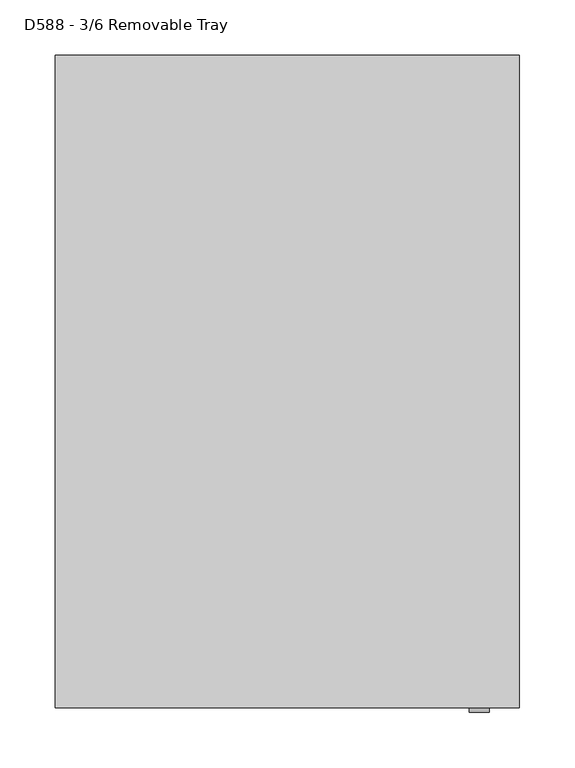
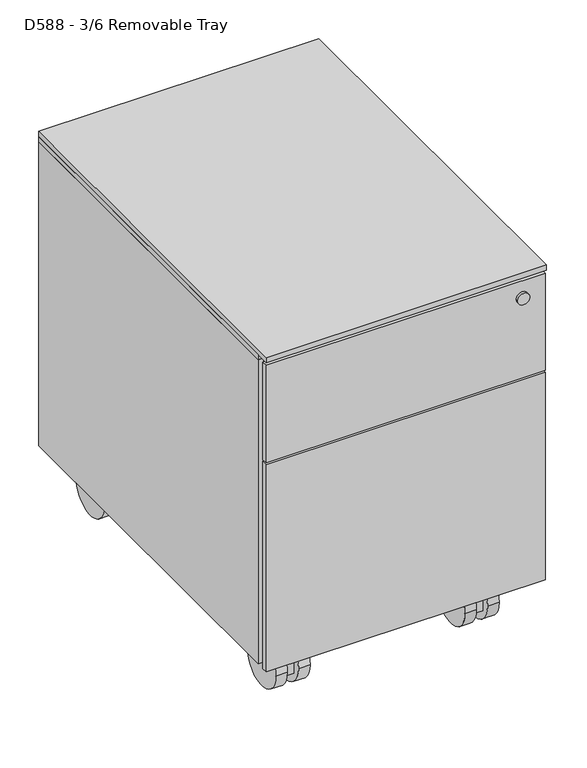
"""IFC4 building model written with IfcOpenShell, lengths in millimetres: furniture geometry, D588 - 3/6 Removable Tray."""

from ifc_helpers import new_model, si_unit, point, frame, frame_2d, origin, place, context, project, spatial, polyline, circle_curve, trimmed, segment, composite_curve, outline, extrude, source, transform, mapped, element, save
from ifc_brep_helpers import plane_surface, cylinder_surface, advanced_brep


def d588_3_6_removable_tray_a8a43973(model_context):
    return source(origin(), model_context, "Body", "SolidModel", [
        extrude(outline(polyline([(-209.0, -172.0), (-209.0, 395.0), (209.0, 395.0), (209.0, -172.0), (-209.0, -172.0)])), frame((0.0, 0.0, 568.0), z_axis=(0.0, 0.0, 1.0), x_axis=(1.0, 0.0, 0.0)), (0.0, 0.0, 1.0), 7.5),
        extrude(outline(polyline([(199.0, -184.6), (-201.0, -184.6), (-201.0, -172.6), (199.0, -172.6), (199.0, -184.6)])), frame((0.0, 0.0, 88.0), z_axis=(0.0, 0.0, 1.0), x_axis=(1.0, 0.0, 0.0)), (0.0, 0.0, 1.0), 483.5),
        advanced_brep(
        [(-132.5, 359.6, 62.4), (-132.5, 302.5, 62.4), (-132.5, 302.5, 21.9), (-132.5, 359.6, 21.9), (-149.5, 359.6, 62.4), (-149.5, 359.6, 21.9), (-149.5, 302.5, 21.9), (-149.5, 302.5, 62.4), (-132.5, 302.5, 88.0), (-149.5, 302.5, 88.0), (-121.0, 278.0, 96.0), (-121.0, 379.0, 96.0), (-161.0, 379.0, 96.0), (-161.0, 278.0, 96.0), (-121.0, 278.0, 88.0), (-161.0, 278.0, 88.0), (-161.0, 379.0, 88.0), (-121.0, 379.0, 88.0)],
        [
            (0, 1),
            (1, 2),
            (2, 3),
            (3, 0),
            (4, 5),
            (5, 6),
            (6, 7),
            (7, 4),
            (0, 4),
            (7, 1, circle_curve(frame((-141.0, 302.5, 62.4), z_axis=(0.0, 0.0, -1.0), x_axis=(1.0, 0.0, 0.0)), 8.5)),
            (2, 6, circle_curve(frame((-141.0, 302.5, 21.9), z_axis=(0.0, 0.0, -1.0), x_axis=(1.0, 0.0, 0.0)), 8.5)),
            (5, 3),
            (1, 8),
            (8, 9, circle_curve(frame((-141.0, 302.5, 88.0), z_axis=(0.0, 0.0, -1.0), x_axis=(1.0, 0.0, 0.0)), 8.5)),
            (9, 7),
            (9, 8, circle_curve(frame((-141.0, 302.5, 88.0), z_axis=(0.0, 0.0, -1.0), x_axis=(1.0, 0.0, 0.0)), 8.5)),
            (10, 11),
            (11, 12),
            (12, 13),
            (13, 10),
            (14, 15),
            (15, 16),
            (16, 17),
            (17, 14),
            (10, 14),
            (17, 11),
            (16, 12),
            (15, 13),
        ],
        [
            plane_surface(frame((-132.5, 359.6, 62.4), z_axis=(1.0, 0.0, 0.0), x_axis=(0.0, -1.0, 0.0))),
            plane_surface(frame((-149.5, 359.6, 62.4), z_axis=(-1.0, 0.0, 0.0), x_axis=(0.0, 1.0, 0.0))),
            plane_surface(frame((-132.5, 359.6, 62.4), z_axis=(0.0, 0.0, 1.0), x_axis=(-1.0, 0.0, 0.0))),
            plane_surface(frame((-132.5, 302.5, 21.9), z_axis=(0.0, 0.0, -1.0), x_axis=(-1.0, 0.0, 0.0))),
            plane_surface(frame((-132.5, 359.6, 21.9), z_axis=(0.0, 1.0, 0.0), x_axis=(-1.0, 0.0, 0.0))),
            cylinder_surface(frame((-141.0, 302.5, 21.9), z_axis=(0.0, 0.0, 1.0), x_axis=(1.0, 0.0, 0.0)), 8.5),
            plane_surface(frame((-121.0, 343.0, 96.0), z_axis=(0.0, 0.0, 1.0), x_axis=(0.0, 1.0, 0.0))),
            plane_surface(frame((-121.0, 343.0, 88.0), z_axis=(0.0, 0.0, -1.0), x_axis=(0.0, -1.0, 0.0))),
            plane_surface(frame((-121.0, 278.0, 96.0), z_axis=(1.0, 0.0, 0.0), x_axis=(0.0, 0.0, -1.0))),
            plane_surface(frame((-121.0, 379.0, 96.0), z_axis=(0.0, 1.0, 0.0), x_axis=(0.0, 0.0, -1.0))),
            plane_surface(frame((-161.0, 379.0, 96.0), z_axis=(-1.0, 0.0, 0.0), x_axis=(0.0, 0.0, -1.0))),
            plane_surface(frame((-161.0, 278.0, 96.0), z_axis=(0.0, -1.0, 0.0), x_axis=(0.0, 0.0, -1.0))),
        ],
        [
            (0, [[1, 2, 3, 4]]),
            (1, [[5, 6, 7, 8]]),
            (2, [[-1, 9, -8, 10]]),
            (3, [[-3, 11, -6, 12]]),
            (4, [[-4, -12, -5, -9]]),
            (5, [[-11, -2, 13, 14, 15, -7]]),
            (5, [[-13, -10, -15, 16]]),
            (6, [[17, 18, 19, 20]]),
            (7, [[21, 22, 23, 24], [-14, -16]]),
            (8, [[-17, 25, -24, 26]]),
            (9, [[-18, -26, -23, 27]]),
            (10, [[-19, -27, -22, 28]]),
            (11, [[-20, -28, -21, -25]]),
        ],
    ),
        advanced_brep(
        [(149.5, 302.5, 21.9), (132.5, 302.5, 21.9), (132.5, 359.6, 21.9), (149.5, 359.6, 21.9), (149.5, 302.5, 62.4), (149.5, 302.5, 88.0), (132.5, 302.5, 88.0), (132.5, 302.5, 62.4), (132.5, 359.6, 62.4), (149.5, 359.6, 62.4), (121.0, 278.0, 96.0), (161.0, 278.0, 96.0), (161.0, 379.0, 96.0), (121.0, 379.0, 96.0), (121.0, 278.0, 88.0), (121.0, 379.0, 88.0), (161.0, 379.0, 88.0), (161.0, 278.0, 88.0)],
        [
            (0, 1, circle_curve(frame((141.0, 302.5, 21.9), z_axis=(0.0, 0.0, -1.0), x_axis=(1.0, 0.0, 0.0)), 8.5)),
            (1, 2),
            (2, 3),
            (3, 0),
            (0, 4),
            (4, 5),
            (5, 6, circle_curve(frame((141.0, 302.5, 88.0), z_axis=(0.0, 0.0, -1.0), x_axis=(1.0, 0.0, 0.0)), 8.5)),
            (6, 7),
            (7, 1),
            (6, 5, circle_curve(frame((141.0, 302.5, 88.0), z_axis=(0.0, 0.0, -1.0), x_axis=(1.0, 0.0, 0.0)), 8.5)),
            (4, 7, circle_curve(frame((141.0, 302.5, 62.4), z_axis=(0.0, 0.0, 1.0), x_axis=(1.0, 0.0, 0.0)), 8.5)),
            (8, 2),
            (7, 8),
            (9, 4),
            (3, 9),
            (9, 8),
            (10, 11),
            (11, 12),
            (12, 13),
            (13, 10),
            (14, 15),
            (15, 16),
            (16, 17),
            (17, 14),
            (10, 14),
            (17, 11),
            (16, 12),
            (15, 13),
        ],
        [
            plane_surface(frame((-132.5, 302.5, 21.9), z_axis=(0.0, 0.0, -1.0), x_axis=(-1.0, 0.0, 0.0))),
            cylinder_surface(frame((141.0, 302.5, 0.0), z_axis=(0.0, 0.0, 1.0), x_axis=(1.0, 0.0, 0.0)), 8.5),
            plane_surface(frame((132.5, 359.6, 21.9), z_axis=(-1.0, 0.0, 0.0), x_axis=(0.0, 0.0, -1.0))),
            plane_surface(frame((149.5, 359.6, 21.9), z_axis=(1.0, 0.0, 0.0), x_axis=(0.0, 0.0, 1.0))),
            plane_surface(frame((132.5, 302.5, 62.4), z_axis=(0.0, 0.0, 1.0), x_axis=(1.0, 0.0, 0.0))),
            plane_surface(frame((132.5, 359.6, 62.4), z_axis=(0.0, 1.0, 0.0), x_axis=(1.0, 0.0, 0.0))),
            plane_surface(frame((-121.0, 343.0, 96.0), z_axis=(0.0, 0.0, 1.0), x_axis=(0.0, 1.0, 0.0))),
            plane_surface(frame((-121.0, 343.0, 88.0), z_axis=(0.0, 0.0, -1.0), x_axis=(0.0, -1.0, 0.0))),
            plane_surface(frame((121.0, 278.0, 96.0), z_axis=(0.0, -1.0, 0.0), x_axis=(0.0, 0.0, -1.0))),
            plane_surface(frame((161.0, 278.0, 96.0), z_axis=(1.0, 0.0, 0.0), x_axis=(0.0, 0.0, -1.0))),
            plane_surface(frame((161.0, 379.0, 96.0), z_axis=(0.0, 1.0, 0.0), x_axis=(0.0, 0.0, -1.0))),
            plane_surface(frame((121.0, 379.0, 96.0), z_axis=(-1.0, 0.0, 0.0), x_axis=(0.0, 0.0, -1.0))),
        ],
        [
            (0, [[1, 2, 3, 4]]),
            (1, [[-1, 5, 6, 7, 8, 9]]),
            (1, [[-8, 10, -6, 11]]),
            (2, [[12, -2, -9, 13]]),
            (3, [[14, -5, -4, 15]]),
            (4, [[-13, -11, -14, 16]]),
            (5, [[-12, -16, -15, -3]]),
            (6, [[17, 18, 19, 20]]),
            (7, [[21, 22, 23, 24], [-7, -10]]),
            (8, [[-17, 25, -24, 26]]),
            (9, [[-18, -26, -23, 27]]),
            (10, [[-19, -27, -22, 28]]),
            (11, [[-20, -28, -21, -25]]),
        ],
    ),
        advanced_brep(
        [(-132.5, -131.6, 62.4), (-132.5, -131.6, 21.9), (-132.5, -74.5, 21.9), (-132.5, -74.5, 62.4), (-149.5, -131.6, 62.4), (-149.5, -74.5, 62.4), (-149.5, -74.5, 21.9), (-149.5, -131.6, 21.9), (-132.5, -74.5, 88.0), (-149.5, -74.5, 88.0), (-121.0, -62.5, 96.0), (-161.0, -62.5, 96.0), (-161.0, -172.6, 96.0), (-121.0, -172.6, 96.0), (-121.0, -62.5, 88.0), (-121.0, -172.6, 88.0), (-161.0, -172.6, 88.0), (-161.0, -62.5, 88.0)],
        [
            (0, 1),
            (1, 2),
            (2, 3),
            (3, 0),
            (4, 5),
            (5, 6),
            (6, 7),
            (7, 4),
            (3, 5, circle_curve(frame((-141.0, -74.5, 62.4), z_axis=(0.0, 0.0, -1.0), x_axis=(1.0, 0.0, 0.0)), 8.5)),
            (4, 0),
            (1, 7),
            (6, 2, circle_curve(frame((-141.0, -74.5, 21.9), z_axis=(0.0, 0.0, -1.0), x_axis=(1.0, 0.0, 0.0)), 8.5)),
            (3, 8),
            (8, 9, circle_curve(frame((-141.0, -74.5, 88.0), z_axis=(0.0, 0.0, -1.0), x_axis=(1.0, 0.0, 0.0)), 8.5)),
            (9, 5),
            (9, 8, circle_curve(frame((-141.0, -74.5, 88.0), z_axis=(0.0, 0.0, -1.0), x_axis=(1.0, 0.0, 0.0)), 8.5)),
            (10, 11),
            (11, 12),
            (12, 13),
            (13, 10),
            (14, 15),
            (15, 16),
            (16, 17),
            (17, 14),
            (13, 15),
            (14, 10),
            (12, 16),
            (11, 17),
        ],
        [
            plane_surface(frame((-132.5, -131.6, 21.9), z_axis=(1.0, 0.0, 0.0), x_axis=(0.0, 0.0, -1.0))),
            plane_surface(frame((-149.5, -131.6, 21.9), z_axis=(-1.0, 0.0, 0.0), x_axis=(0.0, 0.0, 1.0))),
            plane_surface(frame((-132.5, -74.5, 62.4), z_axis=(0.0, 0.0, 1.0), x_axis=(-1.0, 0.0, 0.0))),
            plane_surface(frame((-132.5, -131.6, 21.9), z_axis=(0.0, 0.0, -1.0), x_axis=(-1.0, 0.0, 0.0))),
            plane_surface(frame((-132.5, -131.6, 62.4), z_axis=(0.0, -1.0, 0.0), x_axis=(-1.0, 0.0, 0.0))),
            cylinder_surface(frame((-141.0, -74.5, 21.9), z_axis=(0.0, 0.0, 1.0), x_axis=(1.0, 0.0, 0.0)), 8.5),
            plane_surface(frame((-161.0, -62.5, 96.0), z_axis=(0.0, 0.0, 1.0), x_axis=(-1.0, 0.0, 0.0))),
            plane_surface(frame((-161.0, -62.5, 88.0), z_axis=(0.0, 0.0, -1.0), x_axis=(1.0, 0.0, 0.0))),
            plane_surface(frame((-121.0, -172.6, 96.0), z_axis=(1.0, 0.0, 0.0), x_axis=(0.0, 0.0, -1.0))),
            plane_surface(frame((-161.0, -172.6, 96.0), z_axis=(0.0, -1.0, 0.0), x_axis=(0.0, 0.0, -1.0))),
            plane_surface(frame((-161.0, -62.5, 96.0), z_axis=(-1.0, 0.0, 0.0), x_axis=(0.0, 0.0, -1.0))),
            plane_surface(frame((-121.0, -62.5, 96.0), z_axis=(0.0, 1.0, 0.0), x_axis=(0.0, 0.0, -1.0))),
        ],
        [
            (0, [[1, 2, 3, 4]]),
            (1, [[5, 6, 7, 8]]),
            (2, [[-4, 9, -5, 10]]),
            (3, [[-2, 11, -7, 12]]),
            (4, [[-1, -10, -8, -11]]),
            (5, [[13, 14, 15, -9]]),
            (5, [[-12, -6, -15, 16, -13, -3]]),
            (6, [[17, 18, 19, 20]]),
            (7, [[21, 22, 23, 24], [-14, -16]]),
            (8, [[-20, 25, -21, 26]]),
            (9, [[-19, 27, -22, -25]]),
            (10, [[-18, 28, -23, -27]]),
            (11, [[-17, -26, -24, -28]]),
        ],
    ),
        advanced_brep(
        [(132.5, -74.5, 21.9), (149.5, -74.5, 21.9), (149.5, -131.6, 21.9), (132.5, -131.6, 21.9), (132.5, -74.5, 88.0), (132.5, -74.5, 62.4), (149.5, -74.5, 62.4), (149.5, -74.5, 88.0), (132.5, -131.6, 62.4), (149.5, -131.6, 62.4), (121.0, -62.5, 96.0), (121.0, -172.6, 96.0), (161.0, -172.6, 96.0), (161.0, -62.5, 96.0), (121.0, -62.5, 88.0), (161.0, -62.5, 88.0), (161.0, -172.6, 88.0), (121.0, -172.6, 88.0)],
        [
            (0, 1, circle_curve(frame((141.0, -74.5, 21.9), z_axis=(0.0, 0.0, -1.0), x_axis=(1.0, 0.0, 0.0)), 8.5)),
            (1, 2),
            (2, 3),
            (3, 0),
            (4, 5),
            (5, 6, circle_curve(frame((141.0, -74.5, 62.4), z_axis=(0.0, 0.0, 1.0), x_axis=(1.0, 0.0, 0.0)), 8.5)),
            (6, 7),
            (7, 4, circle_curve(frame((141.0, -74.5, 88.0), z_axis=(0.0, 0.0, -1.0), x_axis=(1.0, 0.0, 0.0)), 8.5)),
            (0, 5),
            (4, 7, circle_curve(frame((141.0, -74.5, 88.0), z_axis=(0.0, 0.0, -1.0), x_axis=(1.0, 0.0, 0.0)), 8.5)),
            (6, 1),
            (8, 5),
            (3, 8),
            (9, 2),
            (6, 9),
            (8, 9),
            (10, 11),
            (11, 12),
            (12, 13),
            (13, 10),
            (14, 15),
            (15, 16),
            (16, 17),
            (17, 14),
            (13, 15),
            (14, 10),
            (12, 16),
            (11, 17),
        ],
        [
            plane_surface(frame((-132.5, -131.6, 21.9), z_axis=(0.0, 0.0, -1.0), x_axis=(-1.0, 0.0, 0.0))),
            cylinder_surface(frame((141.0, -74.5, 0.0), z_axis=(0.0, 0.0, 1.0), x_axis=(1.0, 0.0, 0.0)), 8.5),
            plane_surface(frame((132.5, -131.6, 62.4), z_axis=(-1.0, 0.0, 0.0), x_axis=(0.0, 1.0, 0.0))),
            plane_surface(frame((149.5, -131.6, 62.4), z_axis=(1.0, 0.0, 0.0), x_axis=(0.0, -1.0, 0.0))),
            plane_surface(frame((132.5, -131.6, 62.4), z_axis=(0.0, 0.0, 1.0), x_axis=(1.0, 0.0, 0.0))),
            plane_surface(frame((132.5, -131.6, 21.9), z_axis=(0.0, -1.0, 0.0), x_axis=(1.0, 0.0, 0.0))),
            plane_surface(frame((-161.0, -62.5, 96.0), z_axis=(0.0, 0.0, 1.0), x_axis=(-1.0, 0.0, 0.0))),
            plane_surface(frame((-161.0, -62.5, 88.0), z_axis=(0.0, 0.0, -1.0), x_axis=(1.0, 0.0, 0.0))),
            plane_surface(frame((161.0, -62.5, 96.0), z_axis=(0.0, 1.0, 0.0), x_axis=(0.0, 0.0, -1.0))),
            plane_surface(frame((161.0, -172.6, 96.0), z_axis=(1.0, 0.0, 0.0), x_axis=(0.0, 0.0, -1.0))),
            plane_surface(frame((121.0, -172.6, 96.0), z_axis=(0.0, -1.0, 0.0), x_axis=(0.0, 0.0, -1.0))),
            plane_surface(frame((121.0, -62.5, 96.0), z_axis=(-1.0, 0.0, 0.0), x_axis=(0.0, 0.0, -1.0))),
        ],
        [
            (0, [[1, 2, 3, 4]]),
            (1, [[5, 6, 7, 8]]),
            (1, [[-1, 9, -5, 10, -7, 11]]),
            (2, [[12, -9, -4, 13]]),
            (3, [[14, -2, -11, 15]]),
            (4, [[-12, 16, -15, -6]]),
            (5, [[-13, -3, -14, -16]]),
            (6, [[17, 18, 19, 20]]),
            (7, [[21, 22, 23, 24], [-8, -10]]),
            (8, [[-20, 25, -21, 26]]),
            (9, [[-19, 27, -22, -25]]),
            (10, [[-18, 28, -23, -27]]),
            (11, [[-17, -26, -24, -28]]),
        ],
    ),
        extrude(outline(composite_curve([segment(trimmed(circle_curve(frame_2d((335.3, 37.0)), 37.0), [point((298.3, 37.0))], [point((372.3, 37.0))], False, "CARTESIAN"), True, "CONTINUOUS"), segment(trimmed(circle_curve(frame_2d((335.3, 37.0)), 37.0), [point((372.3, 37.0))], [point((298.3, 37.0))], False, "CARTESIAN"), True, "CONTINUOUS")], self_intersect=False)), frame((115.5, 0.0, 0.0), z_axis=(1.0, 0.0, 0.0), x_axis=(0.0, 1.0, 0.0)), (0.0, 0.0, 1.0), 17.0),
        extrude(outline(composite_curve([segment(trimmed(circle_curve(frame_2d((-107.4, 37.0)), 37.0), [point((-144.4, 37.0))], [point((-70.4, 37.0))], False, "CARTESIAN"), True, "CONTINUOUS"), segment(trimmed(circle_curve(frame_2d((-107.4, 37.0)), 37.0), [point((-70.4, 37.0))], [point((-144.4, 37.0))], False, "CARTESIAN"), True, "CONTINUOUS")], self_intersect=False)), frame((115.5, 0.0, 0.0), z_axis=(1.0, 0.0, 0.0), x_axis=(0.0, 1.0, 0.0)), (0.0, 0.0, 1.0), 17.0),
        extrude(outline(composite_curve([segment(trimmed(circle_curve(frame_2d((335.3, 37.0)), 37.0), [point((298.3, 37.0))], [point((372.3, 37.0))], False, "CARTESIAN"), True, "CONTINUOUS"), segment(trimmed(circle_curve(frame_2d((335.3, 37.0)), 37.0), [point((372.3, 37.0))], [point((298.3, 37.0))], False, "CARTESIAN"), True, "CONTINUOUS")], self_intersect=False)), frame((149.5, 0.0, 0.0), z_axis=(1.0, 0.0, 0.0), x_axis=(0.0, 1.0, 0.0)), (0.0, 0.0, 1.0), 17.0),
        extrude(outline(composite_curve([segment(trimmed(circle_curve(frame_2d((-107.4, 37.0)), 37.0), [point((-144.4, 37.0))], [point((-70.4, 37.0))], False, "CARTESIAN"), True, "CONTINUOUS"), segment(trimmed(circle_curve(frame_2d((-107.4, 37.0)), 37.0), [point((-70.4, 37.0))], [point((-144.4, 37.0))], False, "CARTESIAN"), True, "CONTINUOUS")], self_intersect=False)), frame((149.5, 0.0, 0.0), z_axis=(1.0, 0.0, 0.0), x_axis=(0.0, 1.0, 0.0)), (0.0, 0.0, 1.0), 17.0),
        extrude(outline(composite_curve([segment(trimmed(circle_curve(frame_2d((335.3, 37.0)), 37.0), [point((298.3, 37.0))], [point((372.3, 37.0))], False, "CARTESIAN"), True, "CONTINUOUS"), segment(trimmed(circle_curve(frame_2d((335.3, 37.0)), 37.0), [point((372.3, 37.0))], [point((298.3, 37.0))], False, "CARTESIAN"), True, "CONTINUOUS")], self_intersect=False)), frame((-132.5, 0.0, 0.0), z_axis=(1.0, 0.0, 0.0), x_axis=(0.0, 1.0, 0.0)), (0.0, 0.0, 1.0), 17.0),
        extrude(outline(composite_curve([segment(trimmed(circle_curve(frame_2d((-107.4, 37.0)), 37.0), [point((-144.4, 37.0))], [point((-70.4, 37.0))], False, "CARTESIAN"), True, "CONTINUOUS"), segment(trimmed(circle_curve(frame_2d((-107.4, 37.0)), 37.0), [point((-70.4, 37.0))], [point((-144.4, 37.0))], False, "CARTESIAN"), True, "CONTINUOUS")], self_intersect=False)), frame((-132.5, 0.0, 0.0), z_axis=(1.0, 0.0, 0.0), x_axis=(0.0, 1.0, 0.0)), (0.0, 0.0, 1.0), 17.0),
        extrude(outline(composite_curve([segment(trimmed(circle_curve(frame_2d((335.3, 37.0)), 37.0), [point((298.3, 37.0))], [point((372.3, 37.0))], False, "CARTESIAN"), True, "CONTINUOUS"), segment(trimmed(circle_curve(frame_2d((335.3, 37.0)), 37.0), [point((372.3, 37.0))], [point((298.3, 37.0))], False, "CARTESIAN"), True, "CONTINUOUS")], self_intersect=False)), frame((-166.5, 0.0, 0.0), z_axis=(1.0, 0.0, 0.0), x_axis=(0.0, 1.0, 0.0)), (0.0, 0.0, 1.0), 17.0),
        extrude(outline(composite_curve([segment(trimmed(circle_curve(frame_2d((-107.4, 37.0)), 37.0), [point((-144.4, 37.0))], [point((-70.4, 37.0))], False, "CARTESIAN"), True, "CONTINUOUS"), segment(trimmed(circle_curve(frame_2d((-107.4, 37.0)), 37.0), [point((-70.4, 37.0))], [point((-144.4, 37.0))], False, "CARTESIAN"), True, "CONTINUOUS")], self_intersect=False)), frame((-166.5, 0.0, 0.0), z_axis=(1.0, 0.0, 0.0), x_axis=(0.0, 1.0, 0.0)), (0.0, 0.0, 1.0), 17.0),
        extrude(outline(composite_curve([segment(trimmed(circle_curve(frame_2d((545.0, 173.0)), 9.0), [point((545.0, 182.0))], [point((545.0, 164.0))], False, "CARTESIAN"), True, "CONTINUOUS"), segment(trimmed(circle_curve(frame_2d((545.0, 173.0)), 9.0), [point((545.0, 164.0))], [point((545.0, 182.0))], False, "CARTESIAN"), True, "CONTINUOUS")], self_intersect=False)), frame((0.0, -197.0, 0.0), z_axis=(0.0, 1.0, 0.0), x_axis=(0.0, 0.0, 1.0)), (0.0, 0.0, 1.0), 4.0),
        extrude(outline(polyline([(207.0, -193.0), (-209.0, -193.0), (-209.0, -184.6), (207.0, -184.6), (207.0, -193.0)])), frame((0.0, 0.0, 418.0), z_axis=(0.0, 0.0, 1.0), x_axis=(1.0, 0.0, 0.0)), (0.0, 0.0, 1.0), 153.5),
        extrude(outline(polyline([(207.0, -193.0), (-209.0, -193.0), (-209.0, -184.6), (207.0, -184.6), (207.0, -193.0)])), frame((0.0, 0.0, 88.0), z_axis=(0.0, 0.0, 1.0), x_axis=(1.0, 0.0, 0.0)), (0.0, 0.0, 1.0), 327.0),
        extrude(outline(polyline([(190.0, 278.0), (190.0, -62.5), (-190.0, -62.5), (-190.0, 278.0), (190.0, 278.0)])), frame((0.0, 0.0, 88.0), z_axis=(0.0, 0.0, 1.0), x_axis=(1.0, 0.0, 0.0)), (0.0, 0.0, 1.0), 8.0),
        extrude(outline(polyline([(209.0, 395.0), (209.0, -193.0), (-209.0, -193.0), (-209.0, 395.0), (209.0, 395.0)])), frame((0.0, 0.0, 575.5), z_axis=(0.0, 0.0, 1.0), x_axis=(1.0, 0.0, 0.0)), (0.0, 0.0, 1.0), 8.5),
        extrude(outline(polyline([(-209.0, 395.0), (209.0, 395.0), (209.0, -172.0), (190.0, -172.0), (190.0, 379.0), (-190.0, 379.0), (-190.0, -172.0), (-209.0, -172.0), (-209.0, 395.0)])), frame((0.0, 0.0, 88.0), z_axis=(0.0, 0.0, 1.0), x_axis=(1.0, 0.0, 0.0)), (0.0, 0.0, 1.0), 480.0),
    ])


if __name__ == "__main__":
    model = new_model("IFC4")
    model_context = context("Model", 3, world=origin())
    ifc_project = project(units=[si_unit("LENGTHUNIT", "METRE", prefix="MILLI")], contexts=[model_context])
    site = spatial("IfcSite", under=ifc_project)
    building = spatial("IfcBuilding", under=site)
    placement = place(None, origin())
    d588_3_6_removable_tray_shape = d588_3_6_removable_tray_a8a43973(model_context)
    element("IfcFurniture", 1, ObjectType="D588 - 3/6 Removable Tray", at=placement, inside=building, context=model_context, shape_type="MappedRepresentation", body=[
        mapped(d588_3_6_removable_tray_shape, transform((0.0, 0.0, 0.0), x_axis=(1.0, 0.0, 0.0), y_axis=(0.0, 1.0, 0.0), z_axis=(0.0, 0.0, 1.0))),
    ])
    save(model, "model.ifc")
